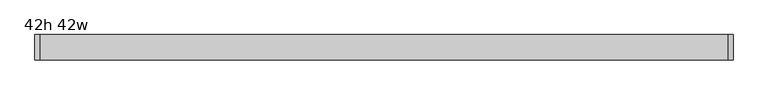
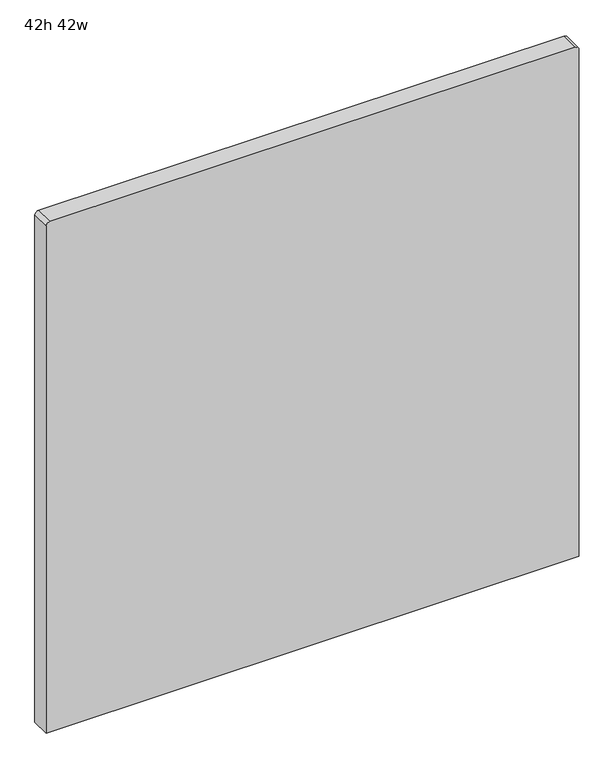
"""IFC4 building model written with IfcOpenShell, lengths in millimetres: furniture geometry, 42h 42w."""

import ifcopenshell
import ifcopenshell.guid

model = None  # the IFC model being written
_history = None  # IfcOwnerHistory: only IFC2X3 demands one
_inside = {}  # id of a spatial element -> (the spatial element, [elements in it])
_under = {}  # id of a project, library or spatial element -> (it, [spatial elements below it])
_declared = {}  # id of a project -> (the project, [libraries it declares])
_typed = {}  # id of a type object -> (the type object, [elements of that type])
_made_of = {}  # id of a material, layer set ... -> (it, [elements and type objects made of it])


def new_model(schema):
    """Start an empty IFC model of exactly this schema.

    Asked for "IFC4X3", IfcOpenShell would pick the latest addendum, in which some entities
    have other attributes; the version numbers below select the first issue.
    IFC2X3 requires an IfcOwnerHistory on every rooted entity: one is made here for all.
    """
    global model, _history
    if schema == "IFC4X3":
        model = ifcopenshell.file(schema_version=(4, 3, 0, 0))
    else:
        model = ifcopenshell.file(schema=schema)
    _inside.clear()
    _under.clear()
    _declared.clear()
    _typed.clear()
    _made_of.clear()
    _history = None
    if model.schema == "IFC2X3":
        org = make("IfcOrganization", Name="unknown")
        user = make(
            "IfcPersonAndOrganization",
            ThePerson=make("IfcPerson", FamilyName="unknown"),
            TheOrganization=org,
        )
        app = make(
            "IfcApplication",
            ApplicationDeveloper=org,
            Version="unknown",
            ApplicationFullName="unknown",
            ApplicationIdentifier="unknown",
        )
        _history = make(
            "IfcOwnerHistory",
            OwningUser=user,
            OwningApplication=app,
            ChangeAction="ADDED",
            CreationDate=0,
        )
    return model


def make(cls, **values):
    """One entity of the class cls with the attributes given. An attribute that is None is left unset."""
    return model.create_entity(
        cls, **{name: value for name, value in values.items() if value is not None}
    )


def rooted(cls, **values):
    """An entity with a GlobalId (a new one), such as an element, a storey or a relation."""
    return make(cls, GlobalId=ifcopenshell.guid.new(), OwnerHistory=_history, **values)


def si_unit(unit_type, name, prefix=None):
    """IfcSIUnit, for example si_unit("LENGTHUNIT", "METRE", prefix="MILLI")."""
    return make("IfcSIUnit", UnitType=unit_type, Prefix=prefix, Name=name)


def assignment(units):
    """IfcUnitAssignment: the units of a project."""
    return None if units is None else make("IfcUnitAssignment", Units=units)


def point(xyz):
    """IfcCartesianPoint."""
    return None if xyz is None else make("IfcCartesianPoint", Coordinates=xyz)


def direction(xyz):
    """IfcDirection."""
    return None if xyz is None else make("IfcDirection", DirectionRatios=xyz)


def frame(location, z_axis=None, x_axis=None):
    """IfcAxis2Placement3D, a coordinate frame: its origin and axes. An axis left out is left unset."""
    return make(
        "IfcAxis2Placement3D",
        Location=point(location),
        Axis=direction(z_axis),
        RefDirection=direction(x_axis),
    )


def frame_2d(location, x_axis=None):
    """IfcAxis2Placement2D, a coordinate frame in the plane: its origin and x axis."""
    return make(
        "IfcAxis2Placement2D", Location=point(location), RefDirection=direction(x_axis)
    )


def origin():
    """The frame at (0, 0, 0) with its axes left unset."""
    return frame((0.0, 0.0, 0.0))


def place(relative_to, where):
    """IfcLocalPlacement: puts the frame where relative to a parent placement (None: the world)."""
    return make(
        "IfcLocalPlacement", PlacementRelTo=relative_to, RelativePlacement=where
    )


def context(
    kind, dimensions, precision=None, world=None, true_north=None, identifier=None
):
    """IfcGeometricRepresentationContext, for example the 3D "Model" context."""
    return make(
        "IfcGeometricRepresentationContext",
        ContextIdentifier=identifier,
        ContextType=kind,
        CoordinateSpaceDimension=dimensions,
        Precision=precision,
        WorldCoordinateSystem=world,
        TrueNorth=true_north,
    )


def project(units=None, contexts=None):
    """IfcProject with its units and contexts."""
    return rooted(
        "IfcProject",
        Name="project",
        RepresentationContexts=contexts,
        UnitsInContext=assignment(units),
    )


def spatial(cls, under=None, at=None, **own):
    """A site, building, storey or space (cls), placed at a placement, below another one or the project."""
    s = rooted(cls, ObjectPlacement=at, **own)
    if under is not None:
        _under.setdefault(under.id(), (under, []))[1].append(s)
    return s


def polyline(points):
    """IfcPolyline through the points."""
    return make("IfcPolyline", Points=[point(p) for p in points])


def circle_curve(where, radius):
    """IfcCircle in the frame where."""
    return make("IfcCircle", Position=where, Radius=radius)


def trimmed(basis, trim1, trim2, sense, master):
    """IfcTrimmedCurve: the piece of a basis curve between two trims."""
    return make(
        "IfcTrimmedCurve",
        BasisCurve=basis,
        Trim1=trim1,
        Trim2=trim2,
        SenseAgreement=sense,
        MasterRepresentation=master,
    )


def segment(curve, same_sense, transition):
    """IfcCompositeCurveSegment."""
    return make(
        "IfcCompositeCurveSegment",
        Transition=transition,
        SameSense=same_sense,
        ParentCurve=curve,
    )


def composite_curve(segments, self_intersect=None):
    """IfcCompositeCurve: segments joined end to end."""
    return make("IfcCompositeCurve", Segments=segments, SelfIntersect=self_intersect)


def outline(outer, holes=None, kind="AREA"):
    """IfcArbitraryClosedProfileDef: a profile drawn as a closed curve; with holes, ...WithVoids."""
    if holes is None:
        return make("IfcArbitraryClosedProfileDef", ProfileType=kind, OuterCurve=outer)
    return make(
        "IfcArbitraryProfileDefWithVoids",
        ProfileType=kind,
        OuterCurve=outer,
        InnerCurves=holes,
    )


def extrude(swept, where, along, depth):
    """IfcExtrudedAreaSolid: the profile swept, set in the frame where, extruded along a direction by depth."""
    return make(
        "IfcExtrudedAreaSolid",
        SweptArea=swept,
        Position=where,
        ExtrudedDirection=direction(along),
        Depth=depth,
    )


def shape(context_of_items, identifier, shape_type, items):
    """IfcShapeRepresentation: the items that make up one representation, for example the "Body"."""
    return make(
        "IfcShapeRepresentation",
        ContextOfItems=context_of_items,
        RepresentationIdentifier=identifier,
        RepresentationType=shape_type,
        Items=items,
    )


def source(mapping_origin, context_of_items, identifier, shape_type, items):
    """IfcRepresentationMap: a shape defined once, which mapped items show again and again."""
    return make(
        "IfcRepresentationMap",
        MappingOrigin=mapping_origin,
        MappedRepresentation=shape(context_of_items, identifier, shape_type, items),
    )


def transform(
    local_origin,
    x_axis=None,
    y_axis=None,
    z_axis=None,
    scale=None,
    scale2=None,
    scale3=None,
    uniform=True,
):
    """IfcCartesianTransformationOperator3D, or its non-uniform kind. x_axis, y_axis, z_axis: its Axis1, 2, 3."""
    if uniform:
        return make(
            "IfcCartesianTransformationOperator3D",
            Axis1=direction(x_axis),
            Axis2=direction(y_axis),
            LocalOrigin=point(local_origin),
            Scale=scale,
            Axis3=direction(z_axis),
        )
    return make(
        "IfcCartesianTransformationOperator3DnonUniform",
        Axis1=direction(x_axis),
        Axis2=direction(y_axis),
        LocalOrigin=point(local_origin),
        Scale=scale,
        Axis3=direction(z_axis),
        Scale2=scale2,
        Scale3=scale3,
    )


def mapped(mapping_source, mapping_target):
    """IfcMappedItem: shows the shape of a source again, moved by a transform."""
    return make(
        "IfcMappedItem", MappingSource=mapping_source, MappingTarget=mapping_target
    )


def made_of(thing, what):
    """Note that an element or type object is made of a material, layer set ...; save() writes the relation."""
    if what is not None:
        _made_of.setdefault(what.id(), (what, []))[1].append(thing)
    return thing


def element(
    cls,
    number,
    at=None,
    inside=None,
    cuts=None,
    type_object=None,
    material=None,
    context=None,
    identifier="Body",
    shape_type=None,
    held_by="IfcProductDefinitionShape",
    body=None,
    shapes=None,
    **own,
):
    """One element of the class cls, such as IfcWall. Its Tag is "e" and its number.

    at: its placement. inside: the storey or other place that contains it. cuts: it is an
    opening in that element (IfcRelVoidsElement). A single representation is given by context,
    identifier, shape_type and body (its items); several are given by shapes. held_by: the class
    of the entity that holds the representations. save() writes the other relations.
    """
    e = rooted(cls, Tag="e%d" % number, ObjectPlacement=at, **own)
    if body is not None:
        shapes = [shape(context, identifier, shape_type, body)]
    if shapes is not None:
        e.Representation = make(held_by, Representations=shapes)
    if inside is not None:
        _inside.setdefault(inside.id(), (inside, []))[1].append(e)
    if cuts is not None:
        rooted(
            "IfcRelVoidsElement", RelatingBuildingElement=cuts, RelatedOpeningElement=e
        )
    if type_object is not None:
        _typed.setdefault(type_object.id(), (type_object, []))[1].append(e)
    return made_of(e, material)


def aggregate(whole, parts):
    """IfcRelAggregates: a whole, such as a stair, and the parts it consists of."""
    return rooted("IfcRelAggregates", RelatingObject=whole, RelatedObjects=parts)


def save(model, path):
    """Write the relations noted so far, then the file.

    IfcRelAggregates (storeys below a building ...), IfcRelContainedInSpatialStructure (elements
    in a storey), IfcRelDefinesByType, IfcRelAssociatesMaterial and IfcRelDeclares: one each for
    every whole, place, type object, material and project.
    """
    for whole, parts in _under.values():
        aggregate(whole, parts)
    for where, things in _inside.values():
        rooted(
            "IfcRelContainedInSpatialStructure",
            RelatedElements=things,
            RelatingStructure=where,
        )
    for kind, things in _typed.values():
        rooted("IfcRelDefinesByType", RelatedObjects=things, RelatingType=kind)
    for what, things in _made_of.values():
        rooted("IfcRelAssociatesMaterial", RelatedObjects=things, RelatingMaterial=what)
    for by, libraries in _declared.values():
        rooted("IfcRelDeclares", RelatingContext=by, RelatedDefinitions=libraries)
    model.write(path)


def furniture_42h_42w_c531b8c5(model_context):
    return source(origin(), model_context, "Body", "SweptSolid", [
        extrude(outline(composite_curve([segment(polyline([(1066.8, 486.4479564), (1066.8, -551.7770436)]), True, "CONTINUOUS"), segment(trimmed(circle_curve(frame_2d((1058.8625, -551.7770436)), 7.9375), [point((1066.8, -551.7770436))], [point((1058.8625, -559.7145436))], False, "CARTESIAN"), True, "CONTINUOUS"), segment(polyline([(1058.8625, -559.7145436), (0.0, -559.7145436), (0.0, 494.3854564), (1058.8625, 494.3854564)]), True, "CONTINUOUS"), segment(trimmed(circle_curve(frame_2d((1058.8625, 486.4479564)), 7.9375), [point((1058.8625, 494.3854564))], [point((1066.8, 486.4479564))], False, "CARTESIAN"), True, "CONTINUOUS")], self_intersect=False)), frame((0.0, -19.05, 0.0), z_axis=(0.0, 1.0, 0.0), x_axis=(0.0, 0.0, 1.0)), (0.0, 0.0, 1.0), 38.1),
    ])


if __name__ == "__main__":
    model = new_model("IFC4")
    model_context = context("Model", 3, world=origin())
    ifc_project = project(units=[si_unit("LENGTHUNIT", "METRE", prefix="MILLI")], contexts=[model_context])
    site = spatial("IfcSite", under=ifc_project)
    building = spatial("IfcBuilding", under=site)
    placement = place(None, origin())
    furniture_42h_42w_shape = furniture_42h_42w_c531b8c5(model_context)
    element("IfcFurniture", 1, ObjectType="42h 42w", at=placement, inside=building, context=model_context, shape_type="MappedRepresentation", body=[
        mapped(furniture_42h_42w_shape, transform((0.0, 0.0, 0.0), x_axis=(1.0, 0.0, 0.0), y_axis=(0.0, 1.0, 0.0), z_axis=(0.0, 0.0, 1.0))),
    ])
    save(model, "model.ifc")
